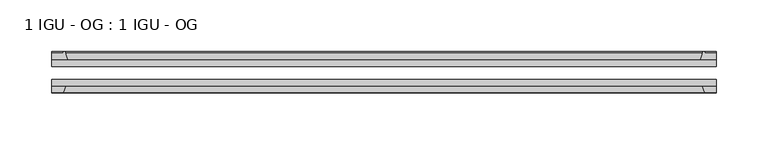
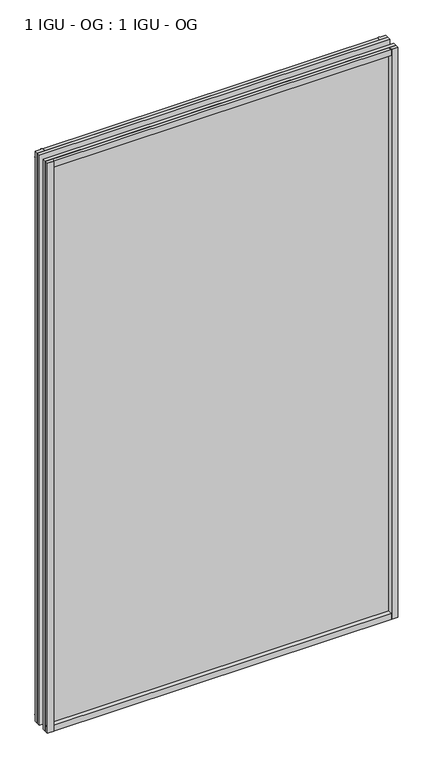
"""IFC4 building model written with IfcOpenShell, lengths in millimetres: plate geometry, 1 IGU - OG : 1 IGU - OG."""

from ifc_helpers import new_model, si_unit, point, frame, frame_2d, origin, place, context, project, spatial, polyline, circle_curve, trimmed, segment, composite_curve, outline, extrude, source, transform, mapped, element, save


def plate_1_igu_og_1_igu_og_eb5338fb(model_context):
    return source(origin(), model_context, "Body", "SweptSolid", [
        extrude(outline(polyline([(339.3839068, -31.75), (339.3839068, -38.1), (-301.2839068, -38.1), (-301.2839068, -31.75), (339.3839068, -31.75)])), frame((0.0, 0.0, -11.1125), z_axis=(0.0, 0.0, 1.0), x_axis=(1.0, 0.0, 0.0)), (0.0, 0.0, 1.0), 1101.7245636),
        extrude(outline(polyline([(-301.2839068, -12.7), (339.3839068, -12.7), (339.3839068, -19.05), (-301.2839068, -19.05), (-301.2839068, -12.7)])), frame((0.0, 0.0, -11.1125), z_axis=(0.0, 0.0, 1.0), x_axis=(1.0, 0.0, 0.0)), (0.0, 0.0, 1.0), 1101.7245636),
        extrude(outline(composite_curve([segment(polyline([(-285.9481159, -12.7), (-301.2839068, -12.7), (-301.2839068, -6.35), (-290.1714068, -6.35), (-290.1714068, -4.7751661), (-289.2419928, -4.7751661)]), True, "CONTINUOUS"), segment(trimmed(circle_curve(frame_2d((-289.2419928, -5.5371661)), 0.762), [point((-289.2419928, -4.7751661))], [point((-288.4997829, -5.364631))], False, "CARTESIAN"), True, "CONTINUOUS"), segment(trimmed(circle_curve(frame_2d((-252.8705646, 2.9177851)), 36.5792237), [point((-288.4997829, -5.364631))], [point((-285.9481159, -12.7))], True, "CARTESIAN"), True, "CONTINUOUS")], self_intersect=False)), frame((0.0, 0.0, -11.1125), z_axis=(0.0, 0.0, 1.0), x_axis=(1.0, 0.0, 0.0)), (0.0, 0.0, 1.0), 1101.7245636),
        extrude(outline(polyline([(-301.2839068, -38.1), (-288.0661297, -38.1), (-290.1714068, -44.45), (-301.2839068, -44.45), (-301.2839068, -38.1)])), frame((0.0, 0.0, -11.1125), z_axis=(0.0, 0.0, 1.0), x_axis=(1.0, 0.0, 0.0)), (0.0, 0.0, 1.0), 1101.7245636),
        extrude(outline(composite_curve([segment(trimmed(circle_curve(frame_2d((327.3419928, -5.5371661)), 0.762), [point((326.5997829, -5.364631))], [point((327.3419928, -4.7751661))], False, "CARTESIAN"), True, "CONTINUOUS"), segment(polyline([(327.3419928, -4.7751661), (328.2714068, -4.7751661), (328.2714068, -6.35), (339.3839068, -6.35), (339.3839068, -12.7), (324.0481159, -12.7)]), True, "CONTINUOUS"), segment(trimmed(circle_curve(frame_2d((290.9705646, 2.9177851)), 36.5792237), [point((324.0481159, -12.7))], [point((326.5997829, -5.364631))], True, "CARTESIAN"), True, "CONTINUOUS")], self_intersect=False)), frame((0.0, 0.0, -11.1125), z_axis=(0.0, 0.0, 1.0), x_axis=(1.0, 0.0, 0.0)), (0.0, 0.0, 1.0), 1101.7245636),
        extrude(outline(polyline([(326.1661297, -38.1), (339.3839068, -38.1), (339.3839068, -44.45), (328.2714068, -44.45), (326.1661297, -38.1)])), frame((0.0, 0.0, -11.1125), z_axis=(0.0, 0.0, 1.0), x_axis=(1.0, 0.0, 0.0)), (0.0, 0.0, 1.0), 1101.7245636),
        extrude(outline(composite_curve([segment(polyline([(-12.7, -11.1125), (-12.7, 4.2232909)]), True, "CONTINUOUS"), segment(trimmed(circle_curve(frame_2d((2.9177851, 37.3008421)), 36.5792237), [point((-12.7, 4.2232909))], [point((-5.364631, 1.6716239))], True, "CARTESIAN"), True, "CONTINUOUS"), segment(trimmed(circle_curve(frame_2d((-5.5371661, 0.929414)), 0.762), [point((-5.364631, 1.6716239))], [point((-4.7751661, 0.929414))], False, "CARTESIAN"), True, "CONTINUOUS"), segment(polyline([(-4.7751661, 0.929414), (-4.7751661, 0.0), (-6.35, 0.0), (-6.35, -11.1125), (-12.7, -11.1125)]), True, "CONTINUOUS")], self_intersect=False)), frame((-301.2839068, 0.0, 0.0), z_axis=(1.0, 0.0, 0.0), x_axis=(0.0, 1.0, 0.0)), (0.0, 0.0, 1.0), 640.6678136),
        extrude(outline(polyline([(-38.1, 2.1052771), (-38.1, -11.1125), (-44.45, -11.1125), (-44.45, 0.0), (-38.1, 2.1052771)])), frame((-301.2839068, 0.0, 0.0), z_axis=(1.0, 0.0, 0.0), x_axis=(0.0, 1.0, 0.0)), (0.0, 0.0, 1.0), 640.6678136),
        extrude(outline(composite_curve([segment(trimmed(circle_curve(frame_2d((2.9177851, 1042.1987214)), 36.5792237), [point((-5.364631, 1077.8279397))], [point((-12.7, 1075.2762727))], True, "CARTESIAN"), True, "CONTINUOUS"), segment(polyline([(-12.7, 1075.2762727), (-12.7, 1090.6120636), (-6.35, 1090.6120636), (-6.35, 1079.4995636), (-4.7751661, 1079.4995636), (-4.7751661, 1078.5701496)]), True, "CONTINUOUS"), segment(trimmed(circle_curve(frame_2d((-5.5371661, 1078.5701496)), 0.762), [point((-4.7751661, 1078.5701496))], [point((-5.364631, 1077.8279397))], False, "CARTESIAN"), True, "CONTINUOUS")], self_intersect=False)), frame((-301.2839068, 0.0, 0.0), z_axis=(1.0, 0.0, 0.0), x_axis=(0.0, 1.0, 0.0)), (0.0, 0.0, 1.0), 640.6678136),
        extrude(outline(polyline([(-38.1, 1090.6120636), (-38.1, 1077.3942865), (-44.45, 1079.4995636), (-44.45, 1090.6120636), (-38.1, 1090.6120636)])), frame((-301.2839068, 0.0, 0.0), z_axis=(1.0, 0.0, 0.0), x_axis=(0.0, 1.0, 0.0)), (0.0, 0.0, 1.0), 640.6678136),
    ])


if __name__ == "__main__":
    model = new_model("IFC4")
    model_context = context("Model", 3, world=origin())
    ifc_project = project(units=[si_unit("LENGTHUNIT", "METRE", prefix="MILLI")], contexts=[model_context])
    site = spatial("IfcSite", under=ifc_project)
    building = spatial("IfcBuilding", under=site)
    placement = place(None, origin())
    plate_1_igu_og_1_igu_og_shape = plate_1_igu_og_1_igu_og_eb5338fb(model_context)
    element("IfcPlate", 1, ObjectType="1 IGU - OG : 1 IGU - OG", at=placement, inside=building, context=model_context, shape_type="MappedRepresentation", body=[
        mapped(plate_1_igu_og_1_igu_og_shape, transform((0.0, 0.0, 0.0), x_axis=(1.0, 0.0, 0.0), y_axis=(0.0, 1.0, 0.0), z_axis=(0.0, 0.0, 1.0))),
    ])
    save(model, "model.ifc")
